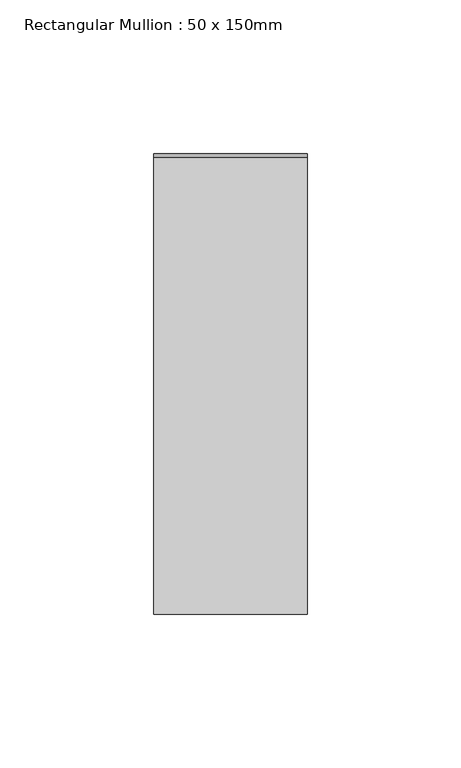
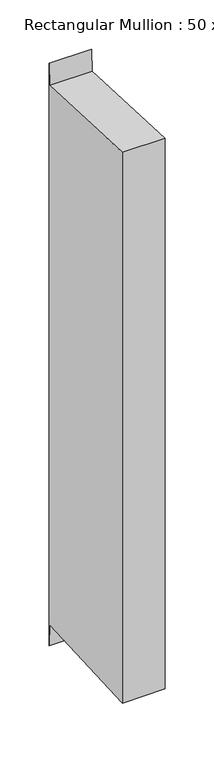
"""IFC4 building model written with IfcOpenShell, lengths in millimetres: member geometry, Rectangular Mullion : 50 x 150mm."""

from ifc_helpers import new_model, si_unit, frame, origin, place, context, project, spatial, polyline, outline, extrude, source, transform, mapped, element, save


def rectangular_mullion_50_x_150mm_14f22e3e(model_context):
    return source(origin(), model_context, "Body", "SweptSolid", [
        extrude(outline(polyline([(-75.0, 3.4593449), (73.7582407, -3.4556134), (75.0, 23.2577704), (75.0, -701.82258), (73.7582407, -675.1091962), (-75.0, -682.0241545), (-75.0, 3.4593449)])), frame((-50.0, 0.0, 0.0), z_axis=(1.0, 0.0, 0.0), x_axis=(0.0, 1.0, 0.0)), (0.0, 0.0, 1.0), 50.0),
    ])


if __name__ == "__main__":
    model = new_model("IFC4")
    model_context = context("Model", 3, world=origin())
    ifc_project = project(units=[si_unit("LENGTHUNIT", "METRE", prefix="MILLI")], contexts=[model_context])
    site = spatial("IfcSite", under=ifc_project)
    building = spatial("IfcBuilding", under=site)
    placement = place(None, origin())
    rectangular_mullion_50_x_150mm_shape = rectangular_mullion_50_x_150mm_14f22e3e(model_context)
    element("IfcMember", 1, ObjectType="Rectangular Mullion : 50 x 150mm", at=placement, inside=building, context=model_context, shape_type="MappedRepresentation", body=[
        mapped(rectangular_mullion_50_x_150mm_shape, transform((0.0, 0.0, 0.0), x_axis=(1.0, 0.0, 0.0), y_axis=(0.0, 1.0, 0.0), z_axis=(0.0, 0.0, 1.0))),
    ])
    save(model, "model.ifc")
